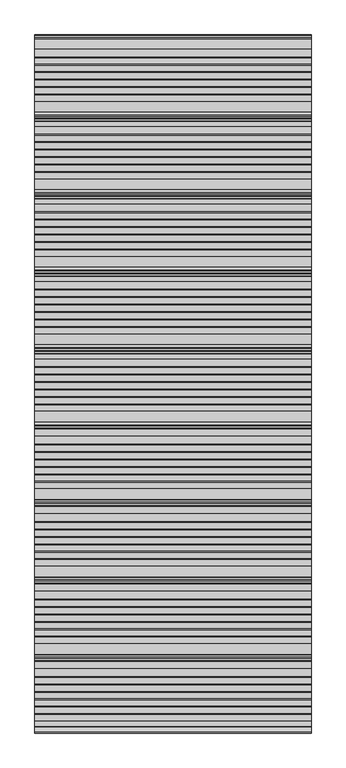
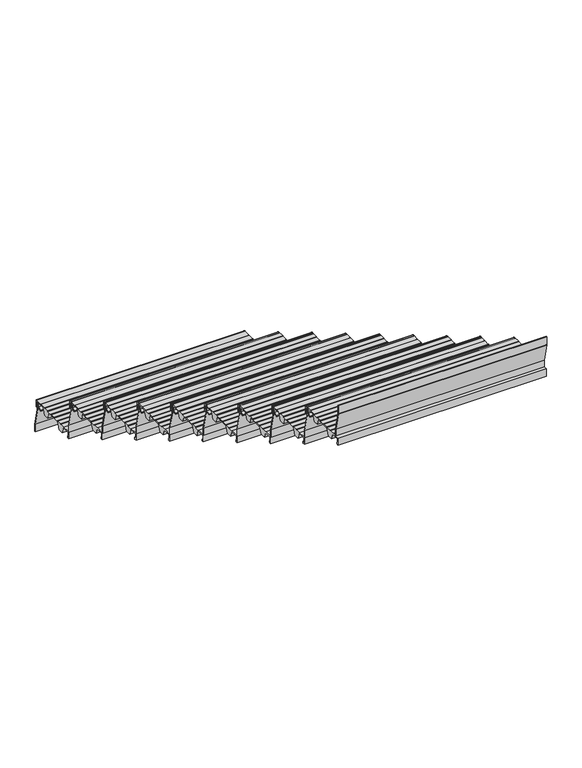
"""IFC4 building model written with IfcOpenShell, lengths in millimetres: stair flight geometry."""

from ifc_helpers import new_model, si_unit, point, frame, frame_2d, origin, place, context, project, spatial, polyline, circle_curve, trimmed, segment, composite_curve, outline, extrude, source, transform, mapped, element, save


def stair_flight_146f53c8(model_context):
    return source(origin(), model_context, "Body", "SweptSolid", [
        extrude(outline(composite_curve([segment(polyline([(2170.7942218, 2454.6255246), (2182.5535144, 2463.7730431), (2183.1622347, 2482.1121002), (2166.0567598, 2482.1497993), (2166.0567598, 2483.3256371), (2145.4517128, 2483.2802252), (2132.3790142, 2451.8853795), (2107.4872341, 2451.8305199), (2096.5631326, 2482.9835266), (2025.8924174, 2482.8277739), (2012.8984699, 2451.6220537), (1988.0066899, 2451.5671942), (1977.2812084, 2482.1537825), (1939.0596675, 2482.0695452), (1939.0596675, 2460.7179675), (1944.9596352, 2460.7309706), (1944.9596352, 2451.4723219), (1935.7653131, 2451.4520583), (1935.7653131, 2487.3529412), (1974.7517786, 2487.4388643), (1974.7517786, 2485.5493441), (1999.5996528, 2485.5493441), (1999.5996528, 2487.4936271), (2001.6342323, 2487.4936271), (2001.6342323, 2485.5493441), (2026.4714009, 2485.5493441), (2026.4714009, 2487.4936271), (2028.5059805, 2487.4936271), (2028.5059805, 2485.5493441), (2053.3525568, 2485.5493441), (2053.3525568, 2487.4936271), (2055.3871363, 2487.4936271), (2055.3871363, 2485.5493441), (2080.2337126, 2485.5493441), (2080.2337126, 2487.4936271), (2082.2682921, 2487.4936271), (2082.2682921, 2485.5493441), (2107.1148685, 2485.5493441), (2107.1148685, 2487.4936271), (2109.149448, 2487.4936271), (2109.149448, 2485.5493441), (2133.9960243, 2485.5493441), (2133.9960243, 2487.4936271), (2136.0306038, 2487.4936271), (2136.0306038, 2485.90479), (2166.0567598, 2485.9709653), (2166.0567598, 2487.3529412), (2200.7653131, 2487.3529412)]), True, "CONTINUOUS"), segment(trimmed(circle_curve(frame_2d((2200.7653131, 2482.3529412)), 5.0), [point((2200.7653131, 2487.3529412))], [point((2205.7653131, 2482.3529412))], False, "CARTESIAN"), True, "CONTINUOUS"), segment(polyline([(2205.7653131, 2482.3529412), (2205.7653131, 2451.4723219), (2196.570991, 2451.4723219), (2196.570991, 2460.7309706), (2202.4709587, 2460.7179675), (2202.4709587, 2482.0695452), (2185.6510486, 2482.106615), (2184.9938506, 2462.3070603), (2171.7080266, 2451.9720575), (2167.3505016, 2451.9624539), (2167.3446492, 2454.617922), (2170.7942218, 2454.6255246)]), True, "CONTINUOUS")], self_intersect=False)), frame((-9055.3300828, 0.0, 0.0), z_axis=(1.0, 0.0, 0.0), x_axis=(0.0, 1.0, 0.0)), (0.0, 0.0, 1.0), 1000.0),
        extrude(outline(composite_curve([segment(polyline([(2194.2599759, 2487.3529412), (2194.2599759, 2445.5828252), (2215.6383114, 2356.6185102)]), True, "CONTINUOUS"), segment(trimmed(circle_curve(frame_2d((2211.1770113, 2355.5464492)), 4.5883018), [point((2215.6383114, 2356.6185102))], [point((2215.7653131, 2355.5464492))], False, "CARTESIAN"), True, "CONTINUOUS"), segment(polyline([(2215.7653131, 2355.5464492), (2215.7653131, 2319.8529412), (2213.7650627, 2319.8529412), (2213.7650627, 2355.8556971), (2192.3661301, 2444.9057257)]), True, "CONTINUOUS"), segment(trimmed(circle_curve(frame_2d((2196.1361131, 2445.8116616)), 3.8773048), [point((2192.3661301, 2444.9057257))], [point((2192.2597256, 2445.8959915))], False, "CARTESIAN"), True, "CONTINUOUS"), segment(polyline([(2192.2597256, 2445.8959915), (2192.2597256, 2487.3529412), (2194.2599759, 2487.3529412)]), True, "CONTINUOUS")], self_intersect=False)), frame((-9055.3300828, 0.0, 0.0), z_axis=(1.0, 0.0, 0.0), x_axis=(0.0, 1.0, 0.0)), (0.0, 0.0, 1.0), 1000.0),
        extrude(outline(composite_curve([segment(polyline([(1914.2599759, 2653.1764706), (1914.2599759, 2611.4063546), (1935.6383114, 2522.4420396)]), True, "CONTINUOUS"), segment(trimmed(circle_curve(frame_2d((1931.1770113, 2521.3699786)), 4.5883018), [point((1935.6383114, 2522.4420396))], [point((1935.7653131, 2521.3699786))], False, "CARTESIAN"), True, "CONTINUOUS"), segment(polyline([(1935.7653131, 2521.3699786), (1935.7653131, 2485.6764706), (1933.7650627, 2485.6764706), (1933.7650627, 2521.6792265), (1912.3661301, 2610.7292551)]), True, "CONTINUOUS"), segment(trimmed(circle_curve(frame_2d((1916.1361131, 2611.635191)), 3.8773048), [point((1912.3661301, 2610.7292551))], [point((1912.2597256, 2611.7195209))], False, "CARTESIAN"), True, "CONTINUOUS"), segment(polyline([(1912.2597256, 2611.7195209), (1912.2597256, 2653.1764706), (1914.2599759, 2653.1764706)]), True, "CONTINUOUS")], self_intersect=False)), frame((-9055.3300828, 0.0, 0.0), z_axis=(1.0, 0.0, 0.0), x_axis=(0.0, 1.0, 0.0)), (0.0, 0.0, 1.0), 1000.0),
        extrude(outline(composite_curve([segment(polyline([(1890.7942218, 2620.449054), (1902.5535144, 2629.5965725), (1903.1622347, 2647.9356296), (1886.0567598, 2647.9733287), (1886.0567598, 2649.1491665), (1865.4517128, 2649.1037546), (1852.3790142, 2617.7089089), (1827.4872341, 2617.6540494), (1816.5631326, 2648.807056), (1745.8924174, 2648.6513033), (1732.8984699, 2617.4455831), (1708.0066899, 2617.3907236), (1697.2812084, 2647.9773119), (1659.0596675, 2647.8930747), (1659.0596675, 2626.5414969), (1664.9596352, 2626.5545), (1664.9596352, 2617.2958513), (1655.7653131, 2617.2755877), (1655.7653131, 2653.1764706), (1694.7517786, 2653.2623937), (1694.7517786, 2651.3728736), (1719.5996528, 2651.3728736), (1719.5996528, 2653.3171565), (1721.6342323, 2653.3171565), (1721.6342323, 2651.3728736), (1746.4714009, 2651.3728736), (1746.4714009, 2653.3171565), (1748.5059805, 2653.3171565), (1748.5059805, 2651.3728736), (1773.3525568, 2651.3728736), (1773.3525568, 2653.3171565), (1775.3871363, 2653.3171565), (1775.3871363, 2651.3728736), (1800.2337126, 2651.3728736), (1800.2337126, 2653.3171565), (1802.2682921, 2653.3171565), (1802.2682921, 2651.3728736), (1827.1148685, 2651.3728736), (1827.1148685, 2653.3171565), (1829.149448, 2653.3171565), (1829.149448, 2651.3728736), (1853.9960243, 2651.3728736), (1853.9960243, 2653.3171565), (1856.0306038, 2653.3171565), (1856.0306038, 2651.7283194), (1886.0567598, 2651.7944947), (1886.0567598, 2653.1764706), (1920.7653131, 2653.1764706)]), True, "CONTINUOUS"), segment(trimmed(circle_curve(frame_2d((1920.7653131, 2648.1764706)), 5.0), [point((1920.7653131, 2653.1764706))], [point((1925.7653131, 2648.1764706))], False, "CARTESIAN"), True, "CONTINUOUS"), segment(polyline([(1925.7653131, 2648.1764706), (1925.7653131, 2617.2958513), (1916.570991, 2617.2958513), (1916.570991, 2626.5545), (1922.4709587, 2626.5414969), (1922.4709587, 2647.8930747), (1905.6510486, 2647.9301444), (1904.9938506, 2628.1305897), (1891.7080266, 2617.7955869), (1887.3505016, 2617.7859833), (1887.3446492, 2620.4414514), (1890.7942218, 2620.449054)]), True, "CONTINUOUS")], self_intersect=False)), frame((-9055.3300828, 0.0, 0.0), z_axis=(1.0, 0.0, 0.0), x_axis=(0.0, 1.0, 0.0)), (0.0, 0.0, 1.0), 1000.0),
        extrude(outline(composite_curve([segment(polyline([(1634.2599759, 2819.0), (1634.2599759, 2777.229884), (1655.6383114, 2688.265569)]), True, "CONTINUOUS"), segment(trimmed(circle_curve(frame_2d((1651.1770113, 2687.193508)), 4.5883018), [point((1655.6383114, 2688.265569))], [point((1655.7653131, 2687.193508))], False, "CARTESIAN"), True, "CONTINUOUS"), segment(polyline([(1655.7653131, 2687.193508), (1655.7653131, 2651.5), (1653.7650627, 2651.5), (1653.7650627, 2687.5027559), (1632.3661301, 2776.5527846)]), True, "CONTINUOUS"), segment(trimmed(circle_curve(frame_2d((1636.1361131, 2777.4587204)), 3.8773048), [point((1632.3661301, 2776.5527846))], [point((1632.2597256, 2777.5430503))], False, "CARTESIAN"), True, "CONTINUOUS"), segment(polyline([(1632.2597256, 2777.5430503), (1632.2597256, 2819.0), (1634.2599759, 2819.0)]), True, "CONTINUOUS")], self_intersect=False)), frame((-9055.3300828, 0.0, 0.0), z_axis=(1.0, 0.0, 0.0), x_axis=(0.0, 1.0, 0.0)), (0.0, 0.0, 1.0), 1000.0),
        extrude(outline(composite_curve([segment(polyline([(1610.7942218, 2786.2725834), (1622.5535144, 2795.4201019), (1623.1622347, 2813.759159), (1606.0567598, 2813.7968581), (1606.0567598, 2814.9726959), (1585.4517128, 2814.927284), (1572.3790142, 2783.5324383), (1547.4872341, 2783.4775788), (1536.5631326, 2814.6305854), (1465.8924174, 2814.4748327), (1452.8984699, 2783.2691125), (1428.0066899, 2783.214253), (1417.2812084, 2813.8008414), (1379.0596675, 2813.7166041), (1379.0596675, 2792.3650264), (1384.9596352, 2792.3780294), (1384.9596352, 2783.1193807), (1375.7653131, 2783.0991171), (1375.7653131, 2819.0), (1414.7517786, 2819.0859231), (1414.7517786, 2817.196403), (1439.5996528, 2817.196403), (1439.5996528, 2819.1406859), (1441.6342323, 2819.1406859), (1441.6342323, 2817.196403), (1466.4714009, 2817.196403), (1466.4714009, 2819.1406859), (1468.5059805, 2819.1406859), (1468.5059805, 2817.196403), (1493.3525568, 2817.196403), (1493.3525568, 2819.1406859), (1495.3871363, 2819.1406859), (1495.3871363, 2817.196403), (1520.2337126, 2817.196403), (1520.2337126, 2819.1406859), (1522.2682921, 2819.1406859), (1522.2682921, 2817.196403), (1547.1148685, 2817.196403), (1547.1148685, 2819.1406859), (1549.149448, 2819.1406859), (1549.149448, 2817.196403), (1573.9960243, 2817.196403), (1573.9960243, 2819.1406859), (1576.0306038, 2819.1406859), (1576.0306038, 2817.5518489), (1606.0567598, 2817.6180241), (1606.0567598, 2819.0), (1640.7653131, 2819.0)]), True, "CONTINUOUS"), segment(trimmed(circle_curve(frame_2d((1640.7653131, 2814.0)), 5.0), [point((1640.7653131, 2819.0))], [point((1645.7653131, 2814.0))], False, "CARTESIAN"), True, "CONTINUOUS"), segment(polyline([(1645.7653131, 2814.0), (1645.7653131, 2783.1193807), (1636.570991, 2783.1193807), (1636.570991, 2792.3780294), (1642.4709587, 2792.3650264), (1642.4709587, 2813.7166041), (1625.6510486, 2813.7536738), (1624.9938506, 2793.9541191), (1611.7080266, 2783.6191164), (1607.3505016, 2783.6095127), (1607.3446492, 2786.2649808), (1610.7942218, 2786.2725834)]), True, "CONTINUOUS")], self_intersect=False)), frame((-9055.3300828, 0.0, 0.0), z_axis=(1.0, 0.0, 0.0), x_axis=(0.0, 1.0, 0.0)), (0.0, 0.0, 1.0), 1000.0),
        extrude(outline(composite_curve([segment(polyline([(1354.2599759, 2984.8235294), (1354.2599759, 2943.0534134), (1375.6383114, 2854.0890984)]), True, "CONTINUOUS"), segment(trimmed(circle_curve(frame_2d((1371.1770113, 2853.0170374)), 4.5883018), [point((1375.6383114, 2854.0890984))], [point((1375.7653131, 2853.0170374))], False, "CARTESIAN"), True, "CONTINUOUS"), segment(polyline([(1375.7653131, 2853.0170374), (1375.7653131, 2817.3235294), (1373.7650627, 2817.3235294), (1373.7650627, 2853.3262853), (1352.3661301, 2942.376314)]), True, "CONTINUOUS"), segment(trimmed(circle_curve(frame_2d((1356.1361131, 2943.2822498)), 3.8773048), [point((1352.3661301, 2942.376314))], [point((1352.2597256, 2943.3665797))], False, "CARTESIAN"), True, "CONTINUOUS"), segment(polyline([(1352.2597256, 2943.3665797), (1352.2597256, 2984.8235294), (1354.2599759, 2984.8235294)]), True, "CONTINUOUS")], self_intersect=False)), frame((-9055.3300828, 0.0, 0.0), z_axis=(1.0, 0.0, 0.0), x_axis=(0.0, 1.0, 0.0)), (0.0, 0.0, 1.0), 1000.0),
        extrude(outline(composite_curve([segment(polyline([(1330.7942218, 2952.0961128), (1342.5535144, 2961.2436313), (1343.1622347, 2979.5826884), (1326.0567598, 2979.6203875), (1326.0567598, 2980.7962253), (1305.4517128, 2980.7508134), (1292.3790142, 2949.3559677), (1267.4872341, 2949.3011082), (1256.5631326, 2980.4541148), (1185.8924174, 2980.2983621), (1172.8984699, 2949.092642), (1148.0066899, 2949.0377824), (1137.2812084, 2979.6243708), (1099.0596675, 2979.5401335), (1099.0596675, 2958.1885558), (1104.9596352, 2958.2015588), (1104.9596352, 2948.9429101), (1095.7653131, 2948.9226465), (1095.7653131, 2984.8235294), (1134.7517786, 2984.9094525), (1134.7517786, 2983.0199324), (1159.5996528, 2983.0199324), (1159.5996528, 2984.9642153), (1161.6342323, 2984.9642153), (1161.6342323, 2983.0199324), (1186.4714009, 2983.0199324), (1186.4714009, 2984.9642153), (1188.5059805, 2984.9642153), (1188.5059805, 2983.0199324), (1213.3525568, 2983.0199324), (1213.3525568, 2984.9642153), (1215.3871363, 2984.9642153), (1215.3871363, 2983.0199324), (1240.2337126, 2983.0199324), (1240.2337126, 2984.9642153), (1242.2682921, 2984.9642153), (1242.2682921, 2983.0199324), (1267.1148685, 2983.0199324), (1267.1148685, 2984.9642153), (1269.149448, 2984.9642153), (1269.149448, 2983.0199324), (1293.9960243, 2983.0199324), (1293.9960243, 2984.9642153), (1296.0306038, 2984.9642153), (1296.0306038, 2983.3753783), (1326.0567598, 2983.4415536), (1326.0567598, 2984.8235294), (1360.7653131, 2984.8235294)]), True, "CONTINUOUS"), segment(trimmed(circle_curve(frame_2d((1360.7653131, 2979.8235294)), 5.0), [point((1360.7653131, 2984.8235294))], [point((1365.7653131, 2979.8235294))], False, "CARTESIAN"), True, "CONTINUOUS"), segment(polyline([(1365.7653131, 2979.8235294), (1365.7653131, 2948.9429101), (1356.570991, 2948.9429101), (1356.570991, 2958.2015588), (1362.4709587, 2958.1885558), (1362.4709587, 2979.5401335), (1345.6510486, 2979.5772032), (1344.9938506, 2959.7776485), (1331.7080266, 2949.4426458), (1327.3505016, 2949.4330421), (1327.3446492, 2952.0885102), (1330.7942218, 2952.0961128)]), True, "CONTINUOUS")], self_intersect=False)), frame((-9055.3300828, 0.0, 0.0), z_axis=(1.0, 0.0, 0.0), x_axis=(0.0, 1.0, 0.0)), (0.0, 0.0, 1.0), 1000.0),
        extrude(outline(composite_curve([segment(polyline([(1074.2599759, 3150.6470588), (1074.2599759, 3108.8769428), (1095.6383114, 3019.9126278)]), True, "CONTINUOUS"), segment(trimmed(circle_curve(frame_2d((1091.1770113, 3018.8405668)), 4.5883018), [point((1095.6383114, 3019.9126278))], [point((1095.7653131, 3018.8405668))], False, "CARTESIAN"), True, "CONTINUOUS"), segment(polyline([(1095.7653131, 3018.8405668), (1095.7653131, 2983.1470588), (1093.7650627, 2983.1470588), (1093.7650627, 3019.1498147), (1072.3661301, 3108.1998434)]), True, "CONTINUOUS"), segment(trimmed(circle_curve(frame_2d((1076.1361131, 3109.1057792)), 3.8773048), [point((1072.3661301, 3108.1998434))], [point((1072.2597256, 3109.1901091))], False, "CARTESIAN"), True, "CONTINUOUS"), segment(polyline([(1072.2597256, 3109.1901091), (1072.2597256, 3150.6470588), (1074.2599759, 3150.6470588)]), True, "CONTINUOUS")], self_intersect=False)), frame((-9055.3300828, 0.0, 0.0), z_axis=(1.0, 0.0, 0.0), x_axis=(0.0, 1.0, 0.0)), (0.0, 0.0, 1.0), 1000.0),
        extrude(outline(composite_curve([segment(polyline([(1050.7942218, 3117.9196422), (1062.5535144, 3127.0671607), (1063.1622347, 3145.4062178), (1046.0567598, 3145.4439169), (1046.0567598, 3146.6197548), (1025.4517128, 3146.5743428), (1012.3790142, 3115.1794971), (987.4872341, 3115.1246376), (976.5631326, 3146.2776442), (905.8924174, 3146.1218915), (892.8984699, 3114.9161714), (868.0066899, 3114.8613118), (857.2812084, 3145.4479002), (819.0596675, 3145.3636629), (819.0596675, 3124.0120852), (824.9596352, 3124.0250882), (824.9596352, 3114.7664395), (815.7653131, 3114.7461759), (815.7653131, 3150.6470588), (854.7517786, 3150.7329819), (854.7517786, 3148.8434618), (879.5996528, 3148.8434618), (879.5996528, 3150.7877447), (881.6342323, 3150.7877447), (881.6342323, 3148.8434618), (906.4714009, 3148.8434618), (906.4714009, 3150.7877447), (908.5059805, 3150.7877447), (908.5059805, 3148.8434618), (933.3525568, 3148.8434618), (933.3525568, 3150.7877447), (935.3871363, 3150.7877447), (935.3871363, 3148.8434618), (960.2337126, 3148.8434618), (960.2337126, 3150.7877447), (962.2682921, 3150.7877447), (962.2682921, 3148.8434618), (987.1148685, 3148.8434618), (987.1148685, 3150.7877447), (989.149448, 3150.7877447), (989.149448, 3148.8434618), (1013.9960243, 3148.8434618), (1013.9960243, 3150.7877447), (1016.0306038, 3150.7877447), (1016.0306038, 3149.1989077), (1046.0567598, 3149.265083), (1046.0567598, 3150.6470588), (1080.7653131, 3150.6470588)]), True, "CONTINUOUS"), segment(trimmed(circle_curve(frame_2d((1080.7653131, 3145.6470588)), 5.0), [point((1080.7653131, 3150.6470588))], [point((1085.7653131, 3145.6470588))], False, "CARTESIAN"), True, "CONTINUOUS"), segment(polyline([(1085.7653131, 3145.6470588), (1085.7653131, 3114.7664395), (1076.570991, 3114.7664395), (1076.570991, 3124.0250882), (1082.4709587, 3124.0120852), (1082.4709587, 3145.3636629), (1065.6510486, 3145.4007327), (1064.9938506, 3125.6011779), (1051.7080266, 3115.2661752), (1047.3505016, 3115.2565715), (1047.3446492, 3117.9120396), (1050.7942218, 3117.9196422)]), True, "CONTINUOUS")], self_intersect=False)), frame((-9055.3300828, 0.0, 0.0), z_axis=(1.0, 0.0, 0.0), x_axis=(0.0, 1.0, 0.0)), (0.0, 0.0, 1.0), 1000.0),
        extrude(outline(composite_curve([segment(polyline([(794.2599759, 3316.4705882), (794.2599759, 3274.7004722), (815.6383114, 3185.7361572)]), True, "CONTINUOUS"), segment(trimmed(circle_curve(frame_2d((811.1770113, 3184.6640963)), 4.5883018), [point((815.6383114, 3185.7361572))], [point((815.7653131, 3184.6640963))], False, "CARTESIAN"), True, "CONTINUOUS"), segment(polyline([(815.7653131, 3184.6640963), (815.7653131, 3148.9705882), (813.7650627, 3148.9705882), (813.7650627, 3184.9733441), (792.3661301, 3274.0233728)]), True, "CONTINUOUS"), segment(trimmed(circle_curve(frame_2d((796.1361131, 3274.9293087)), 3.8773048), [point((792.3661301, 3274.0233728))], [point((792.2597256, 3275.0136385))], False, "CARTESIAN"), True, "CONTINUOUS"), segment(polyline([(792.2597256, 3275.0136385), (792.2597256, 3316.4705882), (794.2599759, 3316.4705882)]), True, "CONTINUOUS")], self_intersect=False)), frame((-9055.3300828, 0.0, 0.0), z_axis=(1.0, 0.0, 0.0), x_axis=(0.0, 1.0, 0.0)), (0.0, 0.0, 1.0), 1000.0),
        extrude(outline(composite_curve([segment(polyline([(770.7942218, 3283.7431716), (782.5535144, 3292.8906902), (783.1622347, 3311.2297472), (766.0567598, 3311.2674463), (766.0567598, 3312.4432842), (745.4517128, 3312.3978723), (732.3790142, 3281.0030265), (707.4872341, 3280.948167), (696.5631326, 3312.1011736), (625.8924174, 3311.9454209), (612.8984699, 3280.7397008), (588.0066899, 3280.6848412), (577.2812084, 3311.2714296), (539.0596675, 3311.1871923), (539.0596675, 3289.8356146), (544.9596352, 3289.8486177), (544.9596352, 3280.5899689), (535.7653131, 3280.5697053), (535.7653131, 3316.4705882), (574.7517786, 3316.5565113), (574.7517786, 3314.6669912), (599.5996528, 3314.6669912), (599.5996528, 3316.6112741), (601.6342323, 3316.6112741), (601.6342323, 3314.6669912), (626.4714009, 3314.6669912), (626.4714009, 3316.6112741), (628.5059805, 3316.6112741), (628.5059805, 3314.6669912), (653.3525568, 3314.6669912), (653.3525568, 3316.6112741), (655.3871363, 3316.6112741), (655.3871363, 3314.6669912), (680.2337126, 3314.6669912), (680.2337126, 3316.6112741), (682.2682921, 3316.6112741), (682.2682921, 3314.6669912), (707.1148685, 3314.6669912), (707.1148685, 3316.6112741), (709.149448, 3316.6112741), (709.149448, 3314.6669912), (733.9960243, 3314.6669912), (733.9960243, 3316.6112741), (736.0306038, 3316.6112741), (736.0306038, 3315.0224371), (766.0567598, 3315.0886124), (766.0567598, 3316.4705882), (800.7653131, 3316.4705882)]), True, "CONTINUOUS"), segment(trimmed(circle_curve(frame_2d((800.7653131, 3311.4705882)), 5.0), [point((800.7653131, 3316.4705882))], [point((805.7653131, 3311.4705882))], False, "CARTESIAN"), True, "CONTINUOUS"), segment(polyline([(805.7653131, 3311.4705882), (805.7653131, 3280.5899689), (796.570991, 3280.5899689), (796.570991, 3289.8486177), (802.4709587, 3289.8356146), (802.4709587, 3311.1871923), (785.6510486, 3311.2242621), (784.9938506, 3291.4247073), (771.7080266, 3281.0897046), (767.3505016, 3281.080101), (767.3446492, 3283.735569), (770.7942218, 3283.7431716)]), True, "CONTINUOUS")], self_intersect=False)), frame((-9055.3300828, 0.0, 0.0), z_axis=(1.0, 0.0, 0.0), x_axis=(0.0, 1.0, 0.0)), (0.0, 0.0, 1.0), 1000.0),
        extrude(outline(composite_curve([segment(polyline([(514.2599759, 3482.2941176), (514.2599759, 3440.5240017), (535.6383114, 3351.5596866)]), True, "CONTINUOUS"), segment(trimmed(circle_curve(frame_2d((531.1770113, 3350.4876257)), 4.5883018), [point((535.6383114, 3351.5596866))], [point((535.7653131, 3350.4876257))], False, "CARTESIAN"), True, "CONTINUOUS"), segment(polyline([(535.7653131, 3350.4876257), (535.7653131, 3314.7941176), (533.7650627, 3314.7941176), (533.7650627, 3350.7968735), (512.3661301, 3439.8469022)]), True, "CONTINUOUS"), segment(trimmed(circle_curve(frame_2d((516.1361131, 3440.7528381)), 3.8773048), [point((512.3661301, 3439.8469022))], [point((512.2597256, 3440.8371679))], False, "CARTESIAN"), True, "CONTINUOUS"), segment(polyline([(512.2597256, 3440.8371679), (512.2597256, 3482.2941176), (514.2599759, 3482.2941176)]), True, "CONTINUOUS")], self_intersect=False)), frame((-9055.3300828, 0.0, 0.0), z_axis=(1.0, 0.0, 0.0), x_axis=(0.0, 1.0, 0.0)), (0.0, 0.0, 1.0), 1000.0),
        extrude(outline(composite_curve([segment(polyline([(490.7942218, 3449.566701), (502.5535144, 3458.7142196), (503.1622347, 3477.0532766), (486.0567598, 3477.0909758), (486.0567598, 3478.2668136), (465.4517128, 3478.2214017), (452.3790142, 3446.8265559), (427.4872341, 3446.7716964), (416.5631326, 3477.9247031), (345.8924174, 3477.7689503), (332.8984699, 3446.5632302), (308.0066899, 3446.5083707), (297.2812084, 3477.094959), (259.0596675, 3477.0107217), (259.0596675, 3455.659144), (264.9596352, 3455.6721471), (264.9596352, 3446.4134983), (255.7653131, 3446.3932348), (255.7653131, 3482.2941176), (294.7517786, 3482.3800408), (294.7517786, 3480.4905206), (319.5996528, 3480.4905206), (319.5996528, 3482.4348035), (321.6342323, 3482.4348035), (321.6342323, 3480.4905206), (346.4714009, 3480.4905206), (346.4714009, 3482.4348035), (348.5059805, 3482.4348035), (348.5059805, 3480.4905206), (373.3525568, 3480.4905206), (373.3525568, 3482.4348035), (375.3871363, 3482.4348035), (375.3871363, 3480.4905206), (400.2337126, 3480.4905206), (400.2337126, 3482.4348035), (402.2682921, 3482.4348035), (402.2682921, 3480.4905206), (427.1148685, 3480.4905206), (427.1148685, 3482.4348035), (429.149448, 3482.4348035), (429.149448, 3480.4905206), (453.9960243, 3480.4905206), (453.9960243, 3482.4348035), (456.0306038, 3482.4348035), (456.0306038, 3480.8459665), (486.0567598, 3480.9121418), (486.0567598, 3482.2941176), (520.7653131, 3482.2941176)]), True, "CONTINUOUS"), segment(trimmed(circle_curve(frame_2d((520.7653131, 3477.2941176)), 5.0), [point((520.7653131, 3482.2941176))], [point((525.7653131, 3477.2941176))], False, "CARTESIAN"), True, "CONTINUOUS"), segment(polyline([(525.7653131, 3477.2941176), (525.7653131, 3446.4134983), (516.570991, 3446.4134983), (516.570991, 3455.6721471), (522.4709587, 3455.659144), (522.4709587, 3477.0107217), (505.6510486, 3477.0477915), (504.9938506, 3457.2482367), (491.7080266, 3446.913234), (487.3505016, 3446.9036304), (487.3446492, 3449.5590984), (490.7942218, 3449.566701)]), True, "CONTINUOUS")], self_intersect=False)), frame((-9055.3300828, 0.0, 0.0), z_axis=(1.0, 0.0, 0.0), x_axis=(0.0, 1.0, 0.0)), (0.0, 0.0, 1.0), 1000.0),
        extrude(outline(composite_curve([segment(polyline([(234.2599759, 3648.1176471), (234.2599759, 3606.3475311), (255.6383114, 3517.3832161)]), True, "CONTINUOUS"), segment(trimmed(circle_curve(frame_2d((251.1770113, 3516.3111551)), 4.5883018), [point((255.6383114, 3517.3832161))], [point((255.7653131, 3516.3111551))], False, "CARTESIAN"), True, "CONTINUOUS"), segment(polyline([(255.7653131, 3516.3111551), (255.7653131, 3480.6176471), (253.7650627, 3480.6176471), (253.7650627, 3516.620403), (232.3661301, 3605.6704316)]), True, "CONTINUOUS"), segment(trimmed(circle_curve(frame_2d((236.1361131, 3606.5763675)), 3.8773048), [point((232.3661301, 3605.6704316))], [point((232.2597256, 3606.6606973))], False, "CARTESIAN"), True, "CONTINUOUS"), segment(polyline([(232.2597256, 3606.6606973), (232.2597256, 3648.1176471), (234.2599759, 3648.1176471)]), True, "CONTINUOUS")], self_intersect=False)), frame((-9055.3300828, 0.0, 0.0), z_axis=(1.0, 0.0, 0.0), x_axis=(0.0, 1.0, 0.0)), (0.0, 0.0, 1.0), 1000.0),
        extrude(outline(composite_curve([segment(polyline([(210.7942218, 3615.3902304), (222.5535144, 3624.537749), (223.1622347, 3642.876806), (206.0567598, 3642.9145052), (206.0567598, 3644.090343), (185.4517128, 3644.0449311), (172.3790142, 3612.6500854), (147.4872341, 3612.5952258), (136.5631326, 3643.7482325), (65.8924174, 3643.5924798), (52.8984699, 3612.3867596), (28.0066899, 3612.3319001), (17.2812084, 3642.9184884), (-20.9403325, 3642.8342511), (-20.9403325, 3621.4826734), (-15.0403648, 3621.4956765), (-15.0403648, 3612.2370277), (-24.2346869, 3612.2167642), (-24.2346869, 3648.1176471), (14.7517786, 3648.2035702), (14.7517786, 3646.31405), (39.5996528, 3646.31405), (39.5996528, 3648.2583329), (41.6342323, 3648.2583329), (41.6342323, 3646.31405), (66.4714009, 3646.31405), (66.4714009, 3648.2583329), (68.5059805, 3648.2583329), (68.5059805, 3646.31405), (93.3525568, 3646.31405), (93.3525568, 3648.2583329), (95.3871363, 3648.2583329), (95.3871363, 3646.31405), (120.2337126, 3646.31405), (120.2337126, 3648.2583329), (122.2682921, 3648.2583329), (122.2682921, 3646.31405), (147.1148685, 3646.31405), (147.1148685, 3648.2583329), (149.149448, 3648.2583329), (149.149448, 3646.31405), (173.9960243, 3646.31405), (173.9960243, 3648.2583329), (176.0306038, 3648.2583329), (176.0306038, 3646.6694959), (206.0567598, 3646.7356712), (206.0567598, 3648.1176471), (240.7653131, 3648.1176471)]), True, "CONTINUOUS"), segment(trimmed(circle_curve(frame_2d((240.7653131, 3643.1176471)), 5.0), [point((240.7653131, 3648.1176471))], [point((245.7653131, 3643.1176471))], False, "CARTESIAN"), True, "CONTINUOUS"), segment(polyline([(245.7653131, 3643.1176471), (245.7653131, 3612.2370277), (236.570991, 3612.2370277), (236.570991, 3621.4956765), (242.4709587, 3621.4826734), (242.4709587, 3642.8342511), (225.6510486, 3642.8713209), (224.9938506, 3623.0717661), (211.7080266, 3612.7367634), (207.3505016, 3612.7271598), (207.3446492, 3615.3826279), (210.7942218, 3615.3902304)]), True, "CONTINUOUS")], self_intersect=False)), frame((-9055.3300828, 0.0, 0.0), z_axis=(1.0, 0.0, 0.0), x_axis=(0.0, 1.0, 0.0)), (0.0, 0.0, 1.0), 1000.0),
        extrude(outline(composite_curve([segment(polyline([(-305.7400241, 3979.7647059), (-305.7400241, 3937.9945899), (-284.3616886, 3849.0302749)]), True, "CONTINUOUS"), segment(trimmed(circle_curve(frame_2d((-288.8229887, 3847.9582139)), 4.5883018), [point((-284.3616886, 3849.0302749))], [point((-284.2346869, 3847.9582139))], False, "CARTESIAN"), True, "CONTINUOUS"), segment(polyline([(-284.2346869, 3847.9582139), (-284.2346869, 3812.2647059), (-286.2349373, 3812.2647059), (-286.2349373, 3848.2674618), (-307.6338699, 3937.3174904)]), True, "CONTINUOUS"), segment(trimmed(circle_curve(frame_2d((-303.8638869, 3938.2234263)), 3.8773048), [point((-307.6338699, 3937.3174904))], [point((-307.7402744, 3938.3077562))], False, "CARTESIAN"), True, "CONTINUOUS"), segment(polyline([(-307.7402744, 3938.3077562), (-307.7402744, 3979.7647059), (-305.7400241, 3979.7647059)]), True, "CONTINUOUS")], self_intersect=False)), frame((-9055.3300828, 0.0, 0.0), z_axis=(1.0, 0.0, 0.0), x_axis=(0.0, 1.0, 0.0)), (0.0, 0.0, 1.0), 1000.0),
        extrude(outline(composite_curve([segment(polyline([(-45.7400241, 3813.9411765), (-45.7400241, 3772.1710605), (-24.3616886, 3683.2067455)]), True, "CONTINUOUS"), segment(trimmed(circle_curve(frame_2d((-28.8229887, 3682.1346845)), 4.5883018), [point((-24.3616886, 3683.2067455))], [point((-24.2346869, 3682.1346845))], False, "CARTESIAN"), True, "CONTINUOUS"), segment(polyline([(-24.2346869, 3682.1346845), (-24.2346869, 3646.4411765), (-26.2349373, 3646.4411765), (-26.2349373, 3682.4439324), (-47.6338699, 3771.493961)]), True, "CONTINUOUS"), segment(trimmed(circle_curve(frame_2d((-43.8638869, 3772.3998969)), 3.8773048), [point((-47.6338699, 3771.493961))], [point((-47.7402744, 3772.4842267))], False, "CARTESIAN"), True, "CONTINUOUS"), segment(polyline([(-47.7402744, 3772.4842267), (-47.7402744, 3813.9411765), (-45.7400241, 3813.9411765)]), True, "CONTINUOUS")], self_intersect=False)), frame((-9055.3300828, 0.0, 0.0), z_axis=(1.0, 0.0, 0.0), x_axis=(0.0, 1.0, 0.0)), (0.0, 0.0, 1.0), 1000.0),
        extrude(outline(composite_curve([segment(polyline([(-69.2057782, 3781.2137599), (-57.4464856, 3790.3612784), (-56.8377653, 3808.7003355), (-73.9432402, 3808.7380346), (-73.9432402, 3809.9138724), (-94.5482872, 3809.8684605), (-107.6209858, 3778.4736148), (-132.5127659, 3778.4187552), (-143.4368674, 3809.5717619), (-214.1075826, 3809.4160092), (-227.1015301, 3778.210289), (-251.9933101, 3778.1554295), (-262.7187916, 3808.7420178), (-300.9403325, 3808.6577805), (-300.9403325, 3787.3062028), (-295.0403648, 3787.3192059), (-295.0403648, 3778.0605571), (-304.2346869, 3778.0402936), (-304.2346869, 3813.9411765), (-265.2482214, 3814.0270996), (-265.2482214, 3812.1375794), (-240.4003472, 3812.1375794), (-240.4003472, 3814.0818624), (-238.3657677, 3814.0818624), (-238.3657677, 3812.1375794), (-213.5285991, 3812.1375794), (-213.5285991, 3814.0818624), (-211.4940195, 3814.0818624), (-211.4940195, 3812.1375794), (-186.6474432, 3812.1375794), (-186.6474432, 3814.0818624), (-184.6128637, 3814.0818624), (-184.6128637, 3812.1375794), (-159.7662874, 3812.1375794), (-159.7662874, 3814.0818624), (-157.7317079, 3814.0818624), (-157.7317079, 3812.1375794), (-132.8851315, 3812.1375794), (-132.8851315, 3814.0818624), (-130.850552, 3814.0818624), (-130.850552, 3812.1375794), (-106.0039757, 3812.1375794), (-106.0039757, 3814.0818624), (-103.9693962, 3814.0818624), (-103.9693962, 3812.4930253), (-73.9432402, 3812.5592006), (-73.9432402, 3813.9411765), (-39.2346869, 3813.9411765)]), True, "CONTINUOUS"), segment(trimmed(circle_curve(frame_2d((-39.2346869, 3808.9411765)), 5.0), [point((-39.2346869, 3813.9411765))], [point((-34.2346869, 3808.9411765))], False, "CARTESIAN"), True, "CONTINUOUS"), segment(polyline([(-34.2346869, 3808.9411765), (-34.2346869, 3778.0605571), (-43.429009, 3778.0605571), (-43.429009, 3787.3192059), (-37.5290413, 3787.3062028), (-37.5290413, 3808.6577805), (-54.3489514, 3808.6948503), (-55.0061494, 3788.8952956), (-68.2919734, 3778.5602928), (-72.6494984, 3778.5506892), (-72.6553508, 3781.2061573), (-69.2057782, 3781.2137599)]), True, "CONTINUOUS")], self_intersect=False)), frame((-9055.3300828, 0.0, 0.0), z_axis=(1.0, 0.0, 0.0), x_axis=(0.0, 1.0, 0.0)), (0.0, 0.0, 1.0), 1000.0),
    ])


if __name__ == "__main__":
    model = new_model("IFC4")
    model_context = context("Model", 3, world=origin())
    ifc_project = project(units=[si_unit("LENGTHUNIT", "METRE", prefix="MILLI")], contexts=[model_context])
    site = spatial("IfcSite", under=ifc_project)
    building = spatial("IfcBuilding", under=site)
    placement = place(None, origin())
    stair_flight_shape = stair_flight_146f53c8(model_context)
    element("IfcStairFlight", 1, at=placement, inside=building, context=model_context, shape_type="MappedRepresentation", body=[
        mapped(stair_flight_shape, transform((0.0, 0.0, 0.0), x_axis=(1.0, 0.0, 0.0), y_axis=(0.0, 1.0, 0.0), z_axis=(0.0, 0.0, 1.0))),
    ])
    save(model, "model.ifc")
